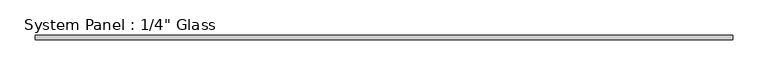
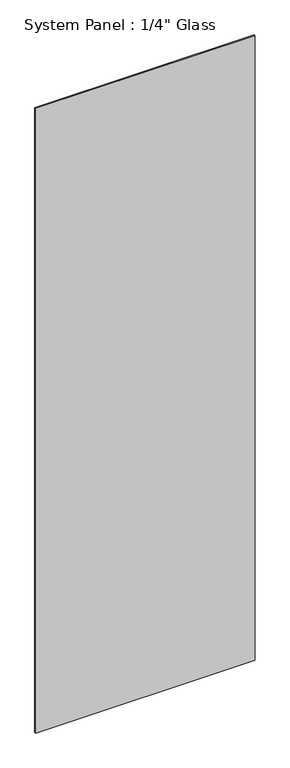
"""IFC4 building model written with IfcOpenShell, lengths in millimetres: plate geometry."""

from ifc_helpers import new_model, si_unit, frame, origin, place, context, project, spatial, polyline, outline, extrude, source, transform, mapped, element, save


def plate_7886010f(model_context):
    return source(origin(), model_context, "Body", "SweptSolid", [
        extrude(outline(polyline([(0.0, -492.125), (0.0, 492.125), (1498.6, 492.125), (2959.1, 492.125), (2959.1, -492.125), (1498.6, -492.125), (0.0, -492.125)])), frame((0.0, -3.175, 0.0), z_axis=(0.0, 1.0, 0.0), x_axis=(0.0, 0.0, 1.0)), (0.0, 0.0, 1.0), 6.35),
    ])


if __name__ == "__main__":
    model = new_model("IFC4")
    model_context = context("Model", 3, world=origin())
    ifc_project = project(units=[si_unit("LENGTHUNIT", "METRE", prefix="MILLI")], contexts=[model_context])
    site = spatial("IfcSite", under=ifc_project)
    building = spatial("IfcBuilding", under=site)
    placement = place(None, origin())
    plate_shape = plate_7886010f(model_context)
    element("IfcPlate", 1, ObjectType="System Panel : 1/4\" Glass", at=placement, inside=building, context=model_context, shape_type="MappedRepresentation", body=[
        mapped(plate_shape, transform((0.0, 0.0, 0.0), x_axis=(1.0, 0.0, 0.0), y_axis=(0.0, 1.0, 0.0), z_axis=(0.0, 0.0, 1.0))),
    ])
    save(model, "model.ifc")
